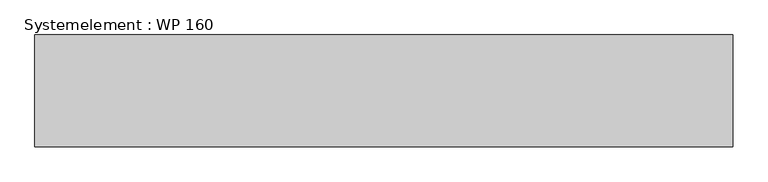
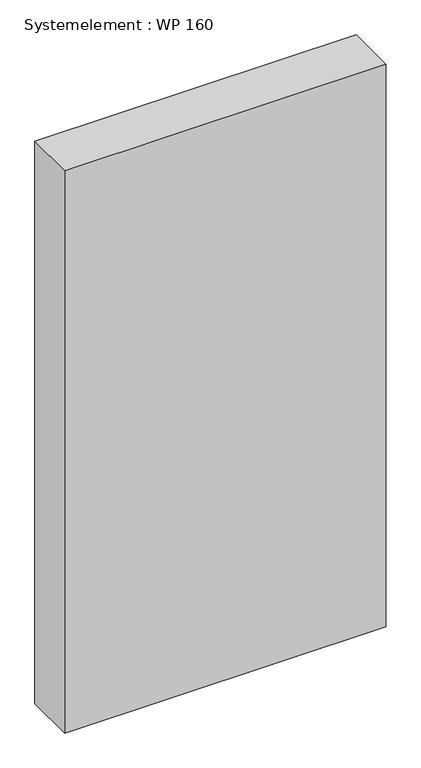
"""IFC4 building model written with IfcOpenShell, lengths in millimetres: plate geometry, Systemelement : WP 160."""

from ifc_helpers import new_model, si_unit, origin, origin_with_axes, place, context, project, spatial, polyline, outline, extrude, source, transform, mapped, element, save


def systemelement_wp_160_1bb1df99(model_context):
    return source(origin(), model_context, "Body", "SweptSolid", [
        extrude(outline(polyline([(500.0, -160.0), (-500.0, -160.0), (-500.0, 0.0), (500.0, 0.0), (500.0, -160.0)])), origin_with_axes(), (0.0, 0.0, 1.0), 1851.6147161),
    ])


if __name__ == "__main__":
    model = new_model("IFC4")
    model_context = context("Model", 3, world=origin())
    ifc_project = project(units=[si_unit("LENGTHUNIT", "METRE", prefix="MILLI")], contexts=[model_context])
    site = spatial("IfcSite", under=ifc_project)
    building = spatial("IfcBuilding", under=site)
    placement = place(None, origin())
    systemelement_wp_160_shape = systemelement_wp_160_1bb1df99(model_context)
    element("IfcPlate", 1, ObjectType="Systemelement : WP 160", at=placement, inside=building, context=model_context, shape_type="MappedRepresentation", body=[
        mapped(systemelement_wp_160_shape, transform((0.0, 0.0, 0.0), x_axis=(1.0, 0.0, 0.0), y_axis=(0.0, 1.0, 0.0), z_axis=(0.0, 0.0, 1.0))),
    ])
    save(model, "model.ifc")
